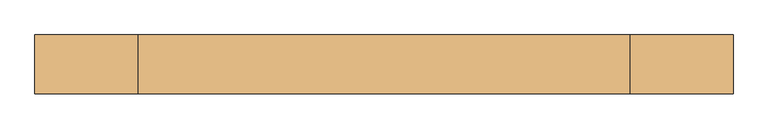
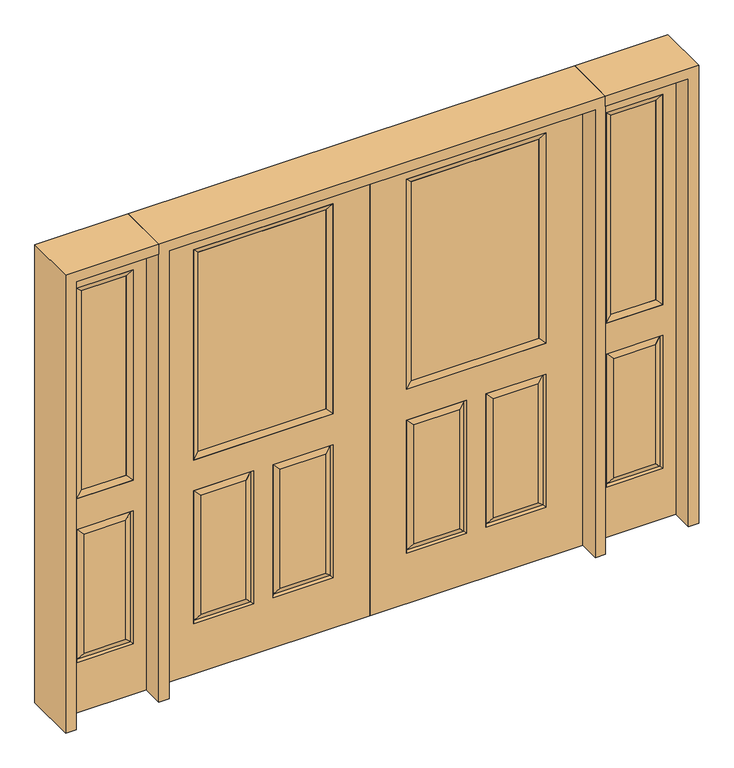
"""IFC4 building model written with IfcOpenShell, lengths in millimetres: door geometry."""

from ifc_helpers import new_model, si_unit, frame, origin, place, context, project, spatial, polyline, outline, extrude, faceted_brep, source, transform, mapped, element, save


def door_f2f81eb6(model_context):
    return source(origin(), model_context, "Body", "SolidModel", [
        faceted_brep([(914.4, -22.225, 0.0), (914.4, -22.225, 2032.0), (0.0, -22.225, 2032.0), (0.0, -22.225, 0.0), (756.539, -22.225, 971.55), (157.861, -22.225, 971.55), (157.861, -22.225, 1925.574), (756.539, -22.225, 1925.574), (756.539, -22.225, 831.85), (756.539, -22.225, 228.6), (498.475, -22.225, 228.6), (498.475, -22.225, 831.85), (415.925, -22.225, 831.85), (415.925, -22.225, 228.6), (157.861, -22.225, 228.6), (157.861, -22.225, 831.85), (530.225, -22.225, 800.1), (530.225, -22.225, 260.35), (724.789, -22.225, 260.35), (724.789, -22.225, 800.1), (189.611, -22.225, 800.1), (189.611, -22.225, 260.35), (384.175, -22.225, 260.35), (384.175, -22.225, 800.1), (0.0, 22.225, 0.0), (914.4, 22.225, 0.0), (0.0, 22.225, 2032.0), (914.4, 22.225, 2032.0), (756.539, 22.225, 1925.574), (756.539, 22.225, 971.55), (157.861, 22.225, 971.55), (157.861, 22.225, 1925.574), (749.39525, -12.7449236, 824.70625), (505.61875, -12.7449236, 824.70625), (749.39525, -12.7449236, 235.74375), (505.61875, -12.7449236, 235.74375), (165.00475, -12.7449236, 824.70625), (408.78125, -12.7449236, 824.70625), (408.78125, -12.7449236, 235.74375), (165.00475, -12.7449236, 235.74375), (498.475, 22.225, 831.85), (498.475, 22.225, 228.6), (756.539, 22.225, 228.6), (756.539, 22.225, 831.85), (157.861, 22.225, 831.85), (157.861, 22.225, 228.6), (415.925, 22.225, 228.6), (415.925, 22.225, 831.85), (724.789, 22.225, 800.1), (724.789, 22.225, 260.35), (530.225, 22.225, 260.35), (530.225, 22.225, 800.1), (384.175, 22.225, 800.1), (384.175, 22.225, 260.35), (189.611, 22.225, 260.35), (189.611, 22.225, 800.1), (749.39525, 12.7449236, 824.70625), (505.61875, 12.7449236, 824.70625), (505.61875, 12.7449236, 235.74375), (749.39525, 12.7449236, 235.74375), (165.00475, 12.7449236, 824.70625), (408.78125, 12.7449236, 824.70625), (165.00475, 12.7449236, 235.74375), (408.78125, 12.7449236, 235.74375)], [[[0, 1, 2, 3], [4, 5, 6, 7], [8, 9, 10, 11], [12, 13, 14, 15]], [[16, 17, 18, 19]], [[20, 21, 22, 23]], [[3, 24, 25, 0]], [[2, 26, 24, 3]], [[0, 25, 27, 1]], [[7, 28, 29, 4]], [[5, 30, 31, 6]], [[4, 29, 30, 5]], [[16, 19, 32, 33]], [[19, 18, 34, 32]], [[35, 34, 18, 17]], [[33, 35, 17, 16]], [[32, 8, 11, 33]], [[11, 10, 35, 33]], [[10, 9, 34, 35]], [[32, 34, 9, 8]], [[36, 20, 23, 37]], [[23, 22, 38, 37]], [[22, 21, 39, 38]], [[36, 39, 21, 20]], [[37, 12, 15, 36]], [[15, 14, 39, 36]], [[38, 39, 14, 13]], [[37, 38, 13, 12]], [[25, 24, 26, 27], [29, 28, 31, 30], [40, 41, 42, 43], [44, 45, 46, 47]], [[48, 49, 50, 51]], [[52, 53, 54, 55]], [[56, 48, 51, 57]], [[51, 50, 58, 57]], [[50, 49, 59, 58]], [[56, 59, 49, 48]], [[57, 40, 43, 56]], [[43, 42, 59, 56]], [[58, 59, 42, 41]], [[57, 58, 41, 40]], [[52, 55, 60, 61]], [[55, 54, 62, 60]], [[63, 62, 54, 53]], [[61, 63, 53, 52]], [[60, 44, 47, 61]], [[47, 46, 63, 61]], [[46, 45, 62, 63]], [[60, 62, 45, 44]], [[1, 27, 26, 2]], [[6, 31, 28, 7]]]),
        extrude(outline(polyline([(183.261, -12.7), (183.261, 12.7), (731.139, 12.7), (731.139, -12.7), (183.261, -12.7)])), frame((0.0, 0.0, 996.95), z_axis=(0.0, 0.0, 1.0), x_axis=(1.0, 0.0, 0.0)), (0.0, 0.0, 1.0), 903.224),
        faceted_brep([(756.539, -22.225, 1925.574), (756.539, -22.225, 971.55), (756.539, 22.225, 971.55), (756.539, 22.225, 1925.574), (157.861, -22.225, 971.55), (157.861, 22.225, 971.55), (183.261, 12.7, 996.95), (731.139, 12.7, 996.95), (157.861, -22.225, 1925.574), (157.861, 22.225, 1925.574), (731.139, -12.7, 996.95), (183.261, -12.7, 996.95), (731.139, -12.7, 1900.174), (183.261, -12.7, 1900.174), (731.139, 12.7, 1900.174), (183.261, 12.7, 1900.174)], [[[0, 1, 2, 3]], [[1, 4, 5, 2]], [[2, 5, 6, 7]], [[4, 8, 9, 5]], [[10, 11, 4, 1]], [[12, 10, 1, 0]], [[11, 13, 8, 4]], [[7, 6, 11, 10]], [[14, 7, 10, 12]], [[6, 15, 13, 11]], [[3, 2, 7, 14]], [[5, 9, 15, 6]], [[8, 0, 3, 9]], [[13, 12, 0, 8]], [[15, 14, 12, 13]], [[9, 3, 14, 15]]]),
        faceted_brep([(-914.4, -22.225, 0.0), (0.0, -22.225, 0.0), (0.0, -22.225, 2032.0), (-914.4, -22.225, 2032.0), (-756.539, -22.225, 971.55), (-756.539, -22.225, 1925.574), (-157.861, -22.225, 1925.574), (-157.861, -22.225, 971.55), (-756.539, -22.225, 831.85), (-498.475, -22.225, 831.85), (-498.475, -22.225, 228.6), (-756.539, -22.225, 228.6), (-415.925, -22.225, 831.85), (-157.861, -22.225, 831.85), (-157.861, -22.225, 228.6), (-415.925, -22.225, 228.6), (-530.225, -22.225, 800.1), (-724.789, -22.225, 800.1), (-724.789, -22.225, 260.35), (-530.225, -22.225, 260.35), (-189.611, -22.225, 800.1), (-384.175, -22.225, 800.1), (-384.175, -22.225, 260.35), (-189.611, -22.225, 260.35), (-914.4, 22.225, 0.0), (0.0, 22.225, 0.0), (0.0, 22.225, 2032.0), (-914.4, 22.225, 2032.0), (-756.539, 22.225, 971.55), (-756.539, 22.225, 1925.574), (-157.861, 22.225, 1925.574), (-157.861, 22.225, 971.55), (-505.61875, -12.7449236, 824.70625), (-749.39525, -12.7449236, 824.70625), (-749.39525, -12.7449236, 235.74375), (-505.61875, -12.7449236, 235.74375), (-165.00475, -12.7449236, 824.70625), (-408.78125, -12.7449236, 824.70625), (-408.78125, -12.7449236, 235.74375), (-165.00475, -12.7449236, 235.74375), (-498.475, 22.225, 831.85), (-756.539, 22.225, 831.85), (-756.539, 22.225, 228.6), (-498.475, 22.225, 228.6), (-157.861, 22.225, 831.85), (-415.925, 22.225, 831.85), (-415.925, 22.225, 228.6), (-157.861, 22.225, 228.6), (-724.789, 22.225, 800.1), (-530.225, 22.225, 800.1), (-530.225, 22.225, 260.35), (-724.789, 22.225, 260.35), (-384.175, 22.225, 800.1), (-189.611, 22.225, 800.1), (-189.611, 22.225, 260.35), (-384.175, 22.225, 260.35), (-749.39525, 12.7449236, 824.70625), (-505.61875, 12.7449236, 824.70625), (-505.61875, 12.7449236, 235.74375), (-749.39525, 12.7449236, 235.74375), (-408.78125, 12.7449236, 824.70625), (-165.00475, 12.7449236, 824.70625), (-165.00475, 12.7449236, 235.74375), (-408.78125, 12.7449236, 235.74375)], [[[0, 1, 2, 3], [4, 5, 6, 7], [8, 9, 10, 11], [12, 13, 14, 15]], [[16, 17, 18, 19]], [[20, 21, 22, 23]], [[1, 0, 24, 25]], [[2, 1, 25, 26]], [[0, 3, 27, 24]], [[5, 4, 28, 29]], [[7, 6, 30, 31]], [[4, 7, 31, 28]], [[16, 32, 33, 17]], [[17, 33, 34, 18]], [[35, 19, 18, 34]], [[32, 16, 19, 35]], [[33, 32, 9, 8]], [[9, 32, 35, 10]], [[10, 35, 34, 11]], [[33, 8, 11, 34]], [[36, 37, 21, 20]], [[21, 37, 38, 22]], [[22, 38, 39, 23]], [[36, 20, 23, 39]], [[37, 36, 13, 12]], [[13, 36, 39, 14]], [[38, 15, 14, 39]], [[37, 12, 15, 38]], [[24, 27, 26, 25], [28, 31, 30, 29], [40, 41, 42, 43], [44, 45, 46, 47]], [[48, 49, 50, 51]], [[52, 53, 54, 55]], [[56, 57, 49, 48]], [[49, 57, 58, 50]], [[50, 58, 59, 51]], [[56, 48, 51, 59]], [[57, 56, 41, 40]], [[41, 56, 59, 42]], [[58, 43, 42, 59]], [[57, 40, 43, 58]], [[52, 60, 61, 53]], [[53, 61, 62, 54]], [[63, 55, 54, 62]], [[60, 52, 55, 63]], [[61, 60, 45, 44]], [[45, 60, 63, 46]], [[46, 63, 62, 47]], [[61, 44, 47, 62]], [[3, 2, 26, 27]], [[6, 5, 29, 30]]]),
        extrude(outline(polyline([(-183.261, -12.7), (-731.139, -12.7), (-731.139, 12.7), (-183.261, 12.7), (-183.261, -12.7)])), frame((0.0, 0.0, 996.95), z_axis=(0.0, 0.0, 1.0), x_axis=(1.0, 0.0, 0.0)), (0.0, 0.0, 1.0), 903.224),
        faceted_brep([(-756.539, -22.225, 1925.574), (-756.539, 22.225, 1925.574), (-756.539, 22.225, 971.55), (-756.539, -22.225, 971.55), (-157.861, 22.225, 971.55), (-157.861, -22.225, 971.55), (-731.139, 12.7, 996.95), (-183.261, 12.7, 996.95), (-157.861, 22.225, 1925.574), (-157.861, -22.225, 1925.574), (-731.139, -12.7, 996.95), (-183.261, -12.7, 996.95), (-731.139, -12.7, 1900.174), (-183.261, -12.7, 1900.174), (-731.139, 12.7, 1900.174), (-183.261, 12.7, 1900.174)], [[[0, 1, 2, 3]], [[3, 2, 4, 5]], [[2, 6, 7, 4]], [[5, 4, 8, 9]], [[10, 3, 5, 11]], [[12, 0, 3, 10]], [[11, 5, 9, 13]], [[6, 10, 11, 7]], [[14, 12, 10, 6]], [[7, 11, 13, 15]], [[1, 14, 6, 2]], [[4, 7, 15, 8]], [[9, 8, 1, 0]], [[13, 9, 0, 12]], [[15, 13, 12, 14]], [[8, 15, 14, 1]]]),
        faceted_brep([(1314.45, -22.225, 0.0), (1314.45, -22.225, 2032.0), (958.85, -22.225, 2032.0), (958.85, -22.225, 0.0), (1015.238, -22.225, 1925.574), (1258.062, -22.225, 1925.574), (1258.062, -22.225, 971.55), (1015.238, -22.225, 971.55), (1015.238, -22.225, 228.6), (1015.238, -22.225, 831.85), (1258.062, -22.225, 831.85), (1258.062, -22.225, 228.6), (1226.1559872, -22.225, 260.5060128), (1226.1559872, -22.225, 799.9439872), (1047.1440128, -22.225, 799.9439872), (1047.1440128, -22.225, 260.5060128), (958.85, 22.225, 0.0), (1314.45, 22.225, 0.0), (958.85, 22.225, 2032.0), (1314.45, 22.225, 2032.0), (1015.238, 22.225, 971.55), (1015.238, 22.225, 1925.574), (1258.062, 22.225, 971.55), (1258.062, 22.225, 1925.574), (1258.062, 22.225, 228.6), (1258.062, 22.225, 831.85), (1015.238, 22.225, 831.85), (1015.238, 22.225, 228.6), (1047.1440128, 22.225, 260.5060128), (1047.1440128, 22.225, 799.9439872), (1226.1559872, 22.225, 799.9439872), (1226.1559872, 22.225, 260.5060128), (1251.1419933, -13.0418409, 235.5200067), (1022.1580067, -13.0418409, 235.5200067), (1251.1419933, -13.0418409, 824.9299933), (1022.1580067, -13.0418409, 824.9299933), (1251.1419933, 13.0418409, 235.5200067), (1022.1580067, 13.0418409, 235.5200067), (1022.1580067, 13.0418409, 824.9299933), (1251.1419933, 13.0418409, 824.9299933)], [[[0, 1, 2, 3], [4, 5, 6, 7], [8, 9, 10, 11]], [[12, 13, 14, 15]], [[3, 16, 17, 0]], [[2, 18, 16, 3]], [[0, 17, 19, 1]], [[7, 20, 21, 4]], [[6, 22, 20, 7]], [[5, 23, 22, 6]], [[17, 16, 18, 19], [21, 20, 22, 23], [24, 25, 26, 27]], [[28, 29, 30, 31]], [[1, 19, 18, 2]], [[4, 21, 23, 5]], [[8, 11, 32, 33]], [[11, 10, 34, 32]], [[35, 34, 10, 9]], [[33, 35, 9, 8]], [[32, 12, 15, 33]], [[15, 14, 35, 33]], [[14, 13, 34, 35]], [[32, 34, 13, 12]], [[36, 24, 27, 37]], [[27, 26, 38, 37]], [[26, 25, 39, 38]], [[36, 39, 25, 24]], [[37, 28, 31, 36]], [[31, 30, 39, 36]], [[38, 39, 30, 29]], [[37, 38, 29, 28]]]),
        extrude(outline(polyline([(1040.638, -12.7), (1040.638, 12.7), (1232.662, 12.7), (1232.662, -12.7), (1040.638, -12.7)])), frame((0.0, 0.0, 996.95), z_axis=(0.0, 0.0, 1.0), x_axis=(1.0, 0.0, 0.0)), (0.0, 0.0, 1.0), 903.224),
        faceted_brep([(1258.062, -22.225, 1925.574), (1258.062, -22.225, 971.55), (1258.062, 22.225, 971.55), (1258.062, 22.225, 1925.574), (1015.238, -22.225, 971.55), (1015.238, 22.225, 971.55), (1040.638, 12.7, 996.95), (1232.662, 12.7, 996.95), (1015.238, -22.225, 1925.574), (1015.238, 22.225, 1925.574), (1232.662, -12.7, 996.95), (1040.638, -12.7, 996.95), (1232.662, -12.7, 1900.174), (1040.638, -12.7, 1900.174), (1232.662, 12.7, 1900.174), (1040.638, 12.7, 1900.174)], [[[0, 1, 2, 3]], [[1, 4, 5, 2]], [[2, 5, 6, 7]], [[4, 8, 9, 5]], [[10, 11, 4, 1]], [[12, 10, 1, 0]], [[11, 13, 8, 4]], [[7, 6, 11, 10]], [[14, 7, 10, 12]], [[6, 15, 13, 11]], [[3, 2, 7, 14]], [[5, 9, 15, 6]], [[8, 0, 3, 9]], [[13, 12, 0, 8]], [[15, 14, 12, 13]], [[9, 3, 14, 15]]]),
        faceted_brep([(-1314.45, -22.225, 0.0), (-958.85, -22.225, 0.0), (-958.85, -22.225, 2032.0), (-1314.45, -22.225, 2032.0), (-1015.238, -22.225, 1925.574), (-1015.238, -22.225, 971.55), (-1258.062, -22.225, 971.55), (-1258.062, -22.225, 1925.574), (-1015.238, -22.225, 228.6), (-1258.062, -22.225, 228.6), (-1258.062, -22.225, 831.85), (-1015.238, -22.225, 831.85), (-1226.1559872, -22.225, 260.5060128), (-1047.1440128, -22.225, 260.5060128), (-1047.1440128, -22.225, 799.9439872), (-1226.1559872, -22.225, 799.9439872), (-1314.45, 22.225, 0.0), (-958.85, 22.225, 0.0), (-958.85, 22.225, 2032.0), (-1314.45, 22.225, 2032.0), (-1015.238, 22.225, 1925.574), (-1015.238, 22.225, 971.55), (-1258.062, 22.225, 971.55), (-1258.062, 22.225, 1925.574), (-1258.062, 22.225, 228.6), (-1015.238, 22.225, 228.6), (-1015.238, 22.225, 831.85), (-1258.062, 22.225, 831.85), (-1047.1440128, 22.225, 260.5060128), (-1226.1559872, 22.225, 260.5060128), (-1226.1559872, 22.225, 799.9439872), (-1047.1440128, 22.225, 799.9439872), (-1022.1580067, -13.0418409, 235.5200067), (-1251.1419933, -13.0418409, 235.5200067), (-1251.1419933, -13.0418409, 824.9299933), (-1022.1580067, -13.0418409, 824.9299933), (-1251.1419933, 13.0418409, 235.5200067), (-1022.1580067, 13.0418409, 235.5200067), (-1022.1580067, 13.0418409, 824.9299933), (-1251.1419933, 13.0418409, 824.9299933)], [[[0, 1, 2, 3], [4, 5, 6, 7], [8, 9, 10, 11]], [[12, 13, 14, 15]], [[1, 0, 16, 17]], [[2, 1, 17, 18]], [[0, 3, 19, 16]], [[5, 4, 20, 21]], [[6, 5, 21, 22]], [[7, 6, 22, 23]], [[16, 19, 18, 17], [20, 23, 22, 21], [24, 25, 26, 27]], [[28, 29, 30, 31]], [[3, 2, 18, 19]], [[4, 7, 23, 20]], [[8, 32, 33, 9]], [[9, 33, 34, 10]], [[35, 11, 10, 34]], [[32, 8, 11, 35]], [[33, 32, 13, 12]], [[13, 32, 35, 14]], [[14, 35, 34, 15]], [[33, 12, 15, 34]], [[36, 37, 25, 24]], [[25, 37, 38, 26]], [[26, 38, 39, 27]], [[36, 24, 27, 39]], [[37, 36, 29, 28]], [[29, 36, 39, 30]], [[38, 31, 30, 39]], [[37, 28, 31, 38]]]),
        extrude(outline(polyline([(-1040.638, -12.7), (-1232.662, -12.7), (-1232.662, 12.7), (-1040.638, 12.7), (-1040.638, -12.7)])), frame((0.0, 0.0, 996.95), z_axis=(0.0, 0.0, 1.0), x_axis=(1.0, 0.0, 0.0)), (0.0, 0.0, 1.0), 903.224),
        faceted_brep([(-1258.062, -22.225, 1925.574), (-1258.062, 22.225, 1925.574), (-1258.062, 22.225, 971.55), (-1258.062, -22.225, 971.55), (-1015.238, 22.225, 971.55), (-1015.238, -22.225, 971.55), (-1232.662, 12.7, 996.95), (-1040.638, 12.7, 996.95), (-1015.238, 22.225, 1925.574), (-1015.238, -22.225, 1925.574), (-1232.662, -12.7, 996.95), (-1040.638, -12.7, 996.95), (-1232.662, -12.7, 1900.174), (-1040.638, -12.7, 1900.174), (-1232.662, 12.7, 1900.174), (-1040.638, 12.7, 1900.174)], [[[0, 1, 2, 3]], [[3, 2, 4, 5]], [[2, 6, 7, 4]], [[5, 4, 8, 9]], [[10, 3, 5, 11]], [[12, 0, 3, 10]], [[11, 5, 9, 13]], [[6, 10, 11, 7]], [[14, 12, 10, 6]], [[7, 11, 13, 15]], [[1, 14, 6, 2]], [[4, 7, 15, 8]], [[9, 8, 1, 0]], [[13, 9, 0, 12]], [[15, 13, 12, 14]], [[8, 15, 14, 1]]]),
        extrude(outline(polyline([(2032.0, -958.85), (2076.45, -958.85), (2076.45, -1358.9), (0.0, -1358.9), (0.0, -1314.45), (2032.0, -1314.45), (2032.0, -958.85)])), frame((0.0, -114.3, 0.0), z_axis=(0.0, 1.0, 0.0), x_axis=(0.0, 0.0, 1.0)), (0.0, 0.0, 1.0), 228.6),
        extrude(outline(polyline([(2076.45, 958.85), (2032.0, 958.85), (2032.0, 1314.45), (0.0, 1314.45), (0.0, 1358.9), (2076.45, 1358.9), (2076.45, 958.85)])), frame((0.0, -114.3, 0.0), z_axis=(0.0, 1.0, 0.0), x_axis=(0.0, 0.0, 1.0)), (0.0, 0.0, 1.0), 228.6),
        extrude(outline(polyline([(0.0, -958.85), (0.0, -914.4), (2032.0, -914.4), (2032.0, 914.4), (0.0, 914.4), (0.0, 958.85), (2076.45, 958.85), (2076.45, -958.85), (0.0, -958.85)])), frame((0.0, -114.3, 0.0), z_axis=(0.0, 1.0, 0.0), x_axis=(0.0, 0.0, 1.0)), (0.0, 0.0, 1.0), 228.6),
    ])


if __name__ == "__main__":
    model = new_model("IFC4")
    model_context = context("Model", 3, world=origin())
    ifc_project = project(units=[si_unit("LENGTHUNIT", "METRE", prefix="MILLI")], contexts=[model_context])
    site = spatial("IfcSite", under=ifc_project)
    building = spatial("IfcBuilding", under=site)
    placement = place(None, origin())
    door_shape = door_f2f81eb6(model_context)
    element("IfcDoor", 1, at=placement, inside=building, context=model_context, shape_type="MappedRepresentation", body=[
        mapped(door_shape, transform((0.0, 0.0, 0.0), x_axis=(1.0, 0.0, 0.0), y_axis=(0.0, 1.0, 0.0), z_axis=(0.0, 0.0, 1.0))),
    ])
    save(model, "model.ifc")
